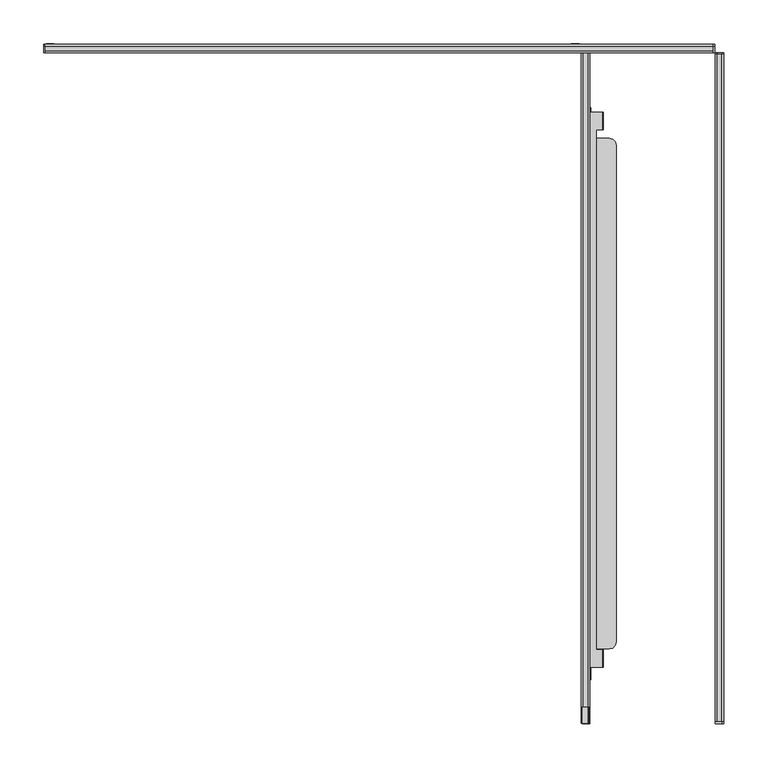
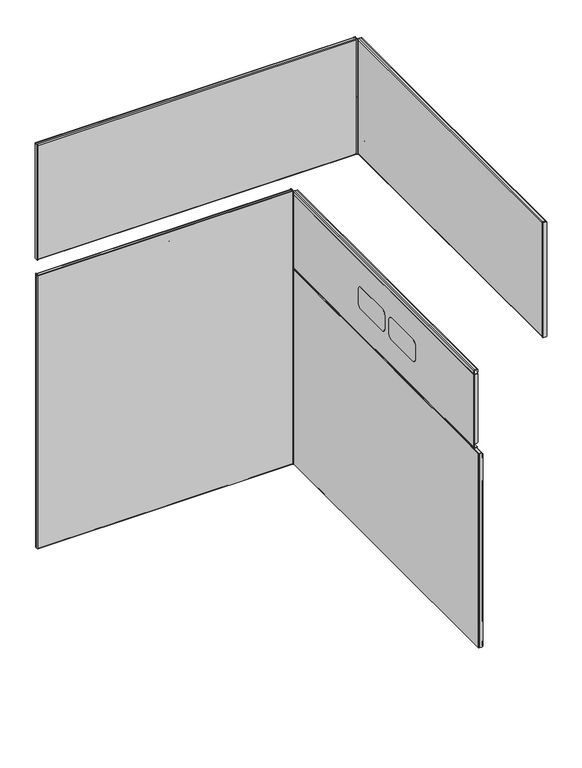
"""IFC4 building model written with IfcOpenShell, lengths in millimetres: furniture geometry."""

import ifcopenshell
import ifcopenshell.guid

model = None  # the IFC model being written
_history = None  # IfcOwnerHistory: only IFC2X3 demands one
_inside = {}  # id of a spatial element -> (the spatial element, [elements in it])
_under = {}  # id of a project, library or spatial element -> (it, [spatial elements below it])
_declared = {}  # id of a project -> (the project, [libraries it declares])
_typed = {}  # id of a type object -> (the type object, [elements of that type])
_made_of = {}  # id of a material, layer set ... -> (it, [elements and type objects made of it])


def new_model(schema):
    """Start an empty IFC model of exactly this schema.

    Asked for "IFC4X3", IfcOpenShell would pick the latest addendum, in which some entities
    have other attributes; the version numbers below select the first issue.
    IFC2X3 requires an IfcOwnerHistory on every rooted entity: one is made here for all.
    """
    global model, _history
    if schema == "IFC4X3":
        model = ifcopenshell.file(schema_version=(4, 3, 0, 0))
    else:
        model = ifcopenshell.file(schema=schema)
    _inside.clear()
    _under.clear()
    _declared.clear()
    _typed.clear()
    _made_of.clear()
    _history = None
    if model.schema == "IFC2X3":
        org = make("IfcOrganization", Name="unknown")
        user = make(
            "IfcPersonAndOrganization",
            ThePerson=make("IfcPerson", FamilyName="unknown"),
            TheOrganization=org,
        )
        app = make(
            "IfcApplication",
            ApplicationDeveloper=org,
            Version="unknown",
            ApplicationFullName="unknown",
            ApplicationIdentifier="unknown",
        )
        _history = make(
            "IfcOwnerHistory",
            OwningUser=user,
            OwningApplication=app,
            ChangeAction="ADDED",
            CreationDate=0,
        )
    return model


def make(cls, **values):
    """One entity of the class cls with the attributes given. An attribute that is None is left unset."""
    return model.create_entity(
        cls, **{name: value for name, value in values.items() if value is not None}
    )


def rooted(cls, **values):
    """An entity with a GlobalId (a new one), such as an element, a storey or a relation."""
    return make(cls, GlobalId=ifcopenshell.guid.new(), OwnerHistory=_history, **values)


def si_unit(unit_type, name, prefix=None):
    """IfcSIUnit, for example si_unit("LENGTHUNIT", "METRE", prefix="MILLI")."""
    return make("IfcSIUnit", UnitType=unit_type, Prefix=prefix, Name=name)


def assignment(units):
    """IfcUnitAssignment: the units of a project."""
    return None if units is None else make("IfcUnitAssignment", Units=units)


def point(xyz):
    """IfcCartesianPoint."""
    return None if xyz is None else make("IfcCartesianPoint", Coordinates=xyz)


def direction(xyz):
    """IfcDirection."""
    return None if xyz is None else make("IfcDirection", DirectionRatios=xyz)


def frame(location, z_axis=None, x_axis=None):
    """IfcAxis2Placement3D, a coordinate frame: its origin and axes. An axis left out is left unset."""
    return make(
        "IfcAxis2Placement3D",
        Location=point(location),
        Axis=direction(z_axis),
        RefDirection=direction(x_axis),
    )


def frame_2d(location, x_axis=None):
    """IfcAxis2Placement2D, a coordinate frame in the plane: its origin and x axis."""
    return make(
        "IfcAxis2Placement2D", Location=point(location), RefDirection=direction(x_axis)
    )


def origin():
    """The frame at (0, 0, 0) with its axes left unset."""
    return frame((0.0, 0.0, 0.0))


def place(relative_to, where):
    """IfcLocalPlacement: puts the frame where relative to a parent placement (None: the world)."""
    return make(
        "IfcLocalPlacement", PlacementRelTo=relative_to, RelativePlacement=where
    )


def context(
    kind, dimensions, precision=None, world=None, true_north=None, identifier=None
):
    """IfcGeometricRepresentationContext, for example the 3D "Model" context."""
    return make(
        "IfcGeometricRepresentationContext",
        ContextIdentifier=identifier,
        ContextType=kind,
        CoordinateSpaceDimension=dimensions,
        Precision=precision,
        WorldCoordinateSystem=world,
        TrueNorth=true_north,
    )


def project(units=None, contexts=None):
    """IfcProject with its units and contexts."""
    return rooted(
        "IfcProject",
        Name="project",
        RepresentationContexts=contexts,
        UnitsInContext=assignment(units),
    )


def spatial(cls, under=None, at=None, **own):
    """A site, building, storey or space (cls), placed at a placement, below another one or the project."""
    s = rooted(cls, ObjectPlacement=at, **own)
    if under is not None:
        _under.setdefault(under.id(), (under, []))[1].append(s)
    return s


def polyline(points):
    """IfcPolyline through the points."""
    return make("IfcPolyline", Points=[point(p) for p in points])


def circle_curve(where, radius):
    """IfcCircle in the frame where."""
    return make("IfcCircle", Position=where, Radius=radius)


def trimmed(basis, trim1, trim2, sense, master):
    """IfcTrimmedCurve: the piece of a basis curve between two trims."""
    return make(
        "IfcTrimmedCurve",
        BasisCurve=basis,
        Trim1=trim1,
        Trim2=trim2,
        SenseAgreement=sense,
        MasterRepresentation=master,
    )


def segment(curve, same_sense, transition):
    """IfcCompositeCurveSegment."""
    return make(
        "IfcCompositeCurveSegment",
        Transition=transition,
        SameSense=same_sense,
        ParentCurve=curve,
    )


def composite_curve(segments, self_intersect=None):
    """IfcCompositeCurve: segments joined end to end."""
    return make("IfcCompositeCurve", Segments=segments, SelfIntersect=self_intersect)


def outline(outer, holes=None, kind="AREA"):
    """IfcArbitraryClosedProfileDef: a profile drawn as a closed curve; with holes, ...WithVoids."""
    if holes is None:
        return make("IfcArbitraryClosedProfileDef", ProfileType=kind, OuterCurve=outer)
    return make(
        "IfcArbitraryProfileDefWithVoids",
        ProfileType=kind,
        OuterCurve=outer,
        InnerCurves=holes,
    )


def extrude(swept, where, along, depth):
    """IfcExtrudedAreaSolid: the profile swept, set in the frame where, extruded along a direction by depth."""
    return make(
        "IfcExtrudedAreaSolid",
        SweptArea=swept,
        Position=where,
        ExtrudedDirection=direction(along),
        Depth=depth,
    )


def shape(context_of_items, identifier, shape_type, items):
    """IfcShapeRepresentation: the items that make up one representation, for example the "Body"."""
    return make(
        "IfcShapeRepresentation",
        ContextOfItems=context_of_items,
        RepresentationIdentifier=identifier,
        RepresentationType=shape_type,
        Items=items,
    )


def source(mapping_origin, context_of_items, identifier, shape_type, items):
    """IfcRepresentationMap: a shape defined once, which mapped items show again and again."""
    return make(
        "IfcRepresentationMap",
        MappingOrigin=mapping_origin,
        MappedRepresentation=shape(context_of_items, identifier, shape_type, items),
    )


def transform(
    local_origin,
    x_axis=None,
    y_axis=None,
    z_axis=None,
    scale=None,
    scale2=None,
    scale3=None,
    uniform=True,
):
    """IfcCartesianTransformationOperator3D, or its non-uniform kind. x_axis, y_axis, z_axis: its Axis1, 2, 3."""
    if uniform:
        return make(
            "IfcCartesianTransformationOperator3D",
            Axis1=direction(x_axis),
            Axis2=direction(y_axis),
            LocalOrigin=point(local_origin),
            Scale=scale,
            Axis3=direction(z_axis),
        )
    return make(
        "IfcCartesianTransformationOperator3DnonUniform",
        Axis1=direction(x_axis),
        Axis2=direction(y_axis),
        LocalOrigin=point(local_origin),
        Scale=scale,
        Axis3=direction(z_axis),
        Scale2=scale2,
        Scale3=scale3,
    )


def mapped(mapping_source, mapping_target):
    """IfcMappedItem: shows the shape of a source again, moved by a transform."""
    return make(
        "IfcMappedItem", MappingSource=mapping_source, MappingTarget=mapping_target
    )


def made_of(thing, what):
    """Note that an element or type object is made of a material, layer set ...; save() writes the relation."""
    if what is not None:
        _made_of.setdefault(what.id(), (what, []))[1].append(thing)
    return thing


def element(
    cls,
    number,
    at=None,
    inside=None,
    cuts=None,
    type_object=None,
    material=None,
    context=None,
    identifier="Body",
    shape_type=None,
    held_by="IfcProductDefinitionShape",
    body=None,
    shapes=None,
    **own,
):
    """One element of the class cls, such as IfcWall. Its Tag is "e" and its number.

    at: its placement. inside: the storey or other place that contains it. cuts: it is an
    opening in that element (IfcRelVoidsElement). A single representation is given by context,
    identifier, shape_type and body (its items); several are given by shapes. held_by: the class
    of the entity that holds the representations. save() writes the other relations.
    """
    e = rooted(cls, Tag="e%d" % number, ObjectPlacement=at, **own)
    if body is not None:
        shapes = [shape(context, identifier, shape_type, body)]
    if shapes is not None:
        e.Representation = make(held_by, Representations=shapes)
    if inside is not None:
        _inside.setdefault(inside.id(), (inside, []))[1].append(e)
    if cuts is not None:
        rooted(
            "IfcRelVoidsElement", RelatingBuildingElement=cuts, RelatedOpeningElement=e
        )
    if type_object is not None:
        _typed.setdefault(type_object.id(), (type_object, []))[1].append(e)
    return made_of(e, material)


def aggregate(whole, parts):
    """IfcRelAggregates: a whole, such as a stair, and the parts it consists of."""
    return rooted("IfcRelAggregates", RelatingObject=whole, RelatedObjects=parts)


def save(model, path):
    """Write the relations noted so far, then the file.

    IfcRelAggregates (storeys below a building ...), IfcRelContainedInSpatialStructure (elements
    in a storey), IfcRelDefinesByType, IfcRelAssociatesMaterial and IfcRelDeclares: one each for
    every whole, place, type object, material and project.
    """
    for whole, parts in _under.values():
        aggregate(whole, parts)
    for where, things in _inside.values():
        rooted(
            "IfcRelContainedInSpatialStructure",
            RelatedElements=things,
            RelatingStructure=where,
        )
    for kind, things in _typed.values():
        rooted("IfcRelDefinesByType", RelatedObjects=things, RelatingType=kind)
    for what, things in _made_of.values():
        rooted("IfcRelAssociatesMaterial", RelatedObjects=things, RelatingMaterial=what)
    for by, libraries in _declared.values():
        rooted("IfcRelDeclares", RelatingContext=by, RelatedDefinitions=libraries)
    model.write(path)


def furniture_71e6c9cb(model_context):
    return source(origin(), model_context, "Body", "SweptSolid", [
        extrude(outline(composite_curve([segment(trimmed(circle_curve(frame_2d((965.3893761, 756.6846529)), 2.4705875), [point((967.8599636, 756.6846529))], [point((965.3893761, 754.2140654))], False, "CARTESIAN"), True, "CONTINUOUS"), segment(polyline([(965.3893761, 754.2140654), (831.0274727, 754.2140654), (831.0274727, 759.8030411), (780.4815027, 759.8030411), (780.4815027, 754.2140654), (776.979404, 754.2140654)]), True, "CONTINUOUS"), segment(trimmed(circle_curve(frame_2d((776.979404, 755.8334564)), 1.619391), [point((776.979404, 754.2140654))], [point((775.360013, 755.8334564))], False, "CARTESIAN"), True, "CONTINUOUS"), segment(polyline([(775.360013, 755.8334564), (775.360013, 762.7285494), (967.8599636, 762.7285494), (967.8599636, 756.6846529)]), True, "CONTINUOUS")], self_intersect=False)), frame((0.0, -1.7694182, 0.0), z_axis=(0.0, 1.0, 0.0), x_axis=(0.0, 0.0, 1.0)), (0.0, 0.0, 1.0), 1.1864101),
        extrude(outline(composite_curve([segment(polyline([(967.8599636, 10.5892163), (967.8599636, 2.5325235), (775.360013, 2.5325235), (775.360013, 11.4404128)]), True, "CONTINUOUS"), segment(trimmed(circle_curve(frame_2d((776.979404, 11.4404128)), 1.619391), [point((775.360013, 11.4404128))], [point((776.979404, 13.0598038))], False, "CARTESIAN"), True, "CONTINUOUS"), segment(polyline([(776.979404, 13.0598038), (780.4815027, 13.0598038), (780.4815027, 7.4708281), (831.0274727, 7.4708281), (831.0274727, 13.0598038), (965.3893761, 13.0598038)]), True, "CONTINUOUS"), segment(trimmed(circle_curve(frame_2d((965.3893761, 10.5892163)), 2.4705875), [point((965.3893761, 13.0598038))], [point((967.8599636, 10.5892163))], False, "CARTESIAN"), True, "CONTINUOUS")], self_intersect=False)), frame((0.0, -1.7694182, 0.0), z_axis=(0.0, 1.0, 0.0), x_axis=(0.0, 0.0, 1.0)), (0.0, 0.0, 1.0), 1.1864101),
        extrude(outline(composite_curve([segment(polyline([(-10.0267631, 1030.8757829), (-2.3587031, 1030.8757829)]), True, "CONTINUOUS"), segment(trimmed(circle_curve(frame_2d((-2.3587031, 1029.0188428)), 1.8569401), [point((-2.3587031, 1030.8757829))], [point((-0.5017631, 1029.0188428))], False, "CARTESIAN"), True, "CONTINUOUS"), segment(polyline([(-0.5017631, 1029.0188428), (-0.5017631, 742.1409679)]), True, "CONTINUOUS"), segment(trimmed(circle_curve(frame_2d((-2.0049735, 742.1409679)), 1.5032105), [point((-0.5017631, 742.1409679))], [point((-2.0049735, 740.6377574))], False, "CARTESIAN"), True, "CONTINUOUS"), segment(polyline([(-2.0049735, 740.6377574), (-10.0267631, 740.6377574), (-10.0267631, 885.4110974), (-10.0267631, 1030.8757829)]), True, "CONTINUOUS")], self_intersect=False)), frame((1.5733776, 0.0, 0.0), z_axis=(1.0, 0.0, 0.0), x_axis=(0.0, 1.0, 0.0)), (0.0, 0.0, 1.0), 0.9591459),
        extrude(outline(composite_curve([segment(polyline([(-10.0267631, 1030.9790033), (-2.3587031, 1030.9790033)]), True, "CONTINUOUS"), segment(trimmed(circle_curve(frame_2d((-2.3587031, 1029.1220632)), 1.8569401), [point((-2.3587031, 1030.9790033))], [point((-0.5017631, 1029.1220632))], False, "CARTESIAN"), True, "CONTINUOUS"), segment(polyline([(-0.5017631, 1029.1220632), (-0.5017631, 742.2441883)]), True, "CONTINUOUS"), segment(trimmed(circle_curve(frame_2d((-2.0049735, 742.2441883)), 1.5032105), [point((-0.5017631, 742.2441883))], [point((-2.0049735, 740.7409779))], False, "CARTESIAN"), True, "CONTINUOUS"), segment(polyline([(-2.0049735, 740.7409779), (-10.0267631, 740.7409779), (-10.0267631, 885.5143179), (-10.0267631, 1030.9790033)]), True, "CONTINUOUS")], self_intersect=False)), frame((763.081184, 0.0, 0.0), z_axis=(1.0, 0.0, 0.0), x_axis=(0.0, 1.0, 0.0)), (0.0, 0.0, 1.0), 2.1819162),
        extrude(outline(composite_curve([segment(polyline([(-0.5017631, 1029.1391548), (-0.5017631, 1023.3599916), (-1.413626, 1023.3599916), (-1.413626, 1028.9406273)]), True, "CONTINUOUS"), segment(trimmed(circle_curve(frame_2d((-2.9211478, 1028.9406273)), 1.5075218), [point((-1.413626, 1028.9406273))], [point((-2.9211478, 1030.4481491))], True, "CARTESIAN"), True, "CONTINUOUS"), segment(polyline([(-2.9211478, 1030.4481491), (-7.746705, 1030.4481491)]), True, "CONTINUOUS"), segment(trimmed(circle_curve(frame_2d((-7.746705, 1029.079954)), 1.3681951), [point((-7.746705, 1030.4481491))], [point((-9.1149001, 1029.079954))], True, "CARTESIAN"), True, "CONTINUOUS"), segment(polyline([(-9.1149001, 1029.079954), (-9.1149001, 742.4865423)]), True, "CONTINUOUS"), segment(trimmed(circle_curve(frame_2d((-7.9001899, 742.4865423)), 1.2147102), [point((-9.1149001, 742.4865423))], [point((-7.9001899, 741.2718321))], True, "CARTESIAN"), True, "CONTINUOUS"), segment(polyline([(-7.9001899, 741.2718321), (-2.8061731, 741.2718321)]), True, "CONTINUOUS"), segment(trimmed(circle_curve(frame_2d((-2.8061731, 742.6643792)), 1.3925471), [point((-2.8061731, 741.2718321))], [point((-1.413626, 742.6643792))], True, "CARTESIAN"), True, "CONTINUOUS"), segment(polyline([(-1.413626, 742.6643792), (-1.413626, 752.3599634), (-0.5017631, 752.3599634), (-0.5017631, 742.4494371)]), True, "CONTINUOUS"), segment(trimmed(circle_curve(frame_2d((-2.591231, 742.4494371)), 2.089468), [point((-0.5017631, 742.4494371))], [point((-2.591231, 740.3599691))], False, "CARTESIAN"), True, "CONTINUOUS"), segment(polyline([(-2.591231, 740.3599691), (-7.7915889, 740.3599691)]), True, "CONTINUOUS"), segment(trimmed(circle_curve(frame_2d((-7.7915889, 742.5951433)), 2.2351742), [point((-7.7915889, 740.3599691))], [point((-10.0267631, 742.5951433))], False, "CARTESIAN"), True, "CONTINUOUS"), segment(polyline([(-10.0267631, 742.5951433), (-10.0267631, 1029.1155544)]), True, "CONTINUOUS"), segment(trimmed(circle_curve(frame_2d((-7.7823054, 1029.1155544)), 2.2444577), [point((-10.0267631, 1029.1155544))], [point((-7.7823054, 1031.3600121))], False, "CARTESIAN"), True, "CONTINUOUS"), segment(polyline([(-7.7823054, 1031.3600121), (-2.7226203, 1031.3600121)]), True, "CONTINUOUS"), segment(trimmed(circle_curve(frame_2d((-2.7226203, 1029.1391548)), 2.2208573), [point((-2.7226203, 1031.3600121))], [point((-0.5017631, 1029.1391548))], False, "CARTESIAN"), True, "CONTINUOUS")], self_intersect=False)), frame((1.9630808, 0.0, 0.0), z_axis=(1.0, 0.0, 0.0), x_axis=(0.0, 1.0, 0.0)), (0.0, 0.0, 1.0), 760.7654686),
        extrude(outline(composite_curve([segment(trimmed(circle_curve(frame_2d((-765.3337616, 965.3893761)), 2.4705875), [point((-765.3337616, 967.8599636))], [point((-762.8631741, 965.3893761))], False, "CARTESIAN"), True, "CONTINUOUS"), segment(polyline([(-762.8631741, 965.3893761), (-762.8631741, 831.0274727), (-768.4521498, 831.0274727), (-768.4521498, 780.4815027), (-762.8631741, 780.4815027), (-762.8631741, 776.979404)]), True, "CONTINUOUS"), segment(trimmed(circle_curve(frame_2d((-764.4825651, 776.979404)), 1.619391), [point((-762.8631741, 776.979404))], [point((-764.4825651, 775.360013))], False, "CARTESIAN"), True, "CONTINUOUS"), segment(polyline([(-764.4825651, 775.360013), (-771.3776581, 775.360013), (-771.3776581, 967.8599636), (-765.3337616, 967.8599636)]), True, "CONTINUOUS")], self_intersect=False)), frame((774.0727369, 0.0, 0.0), z_axis=(1.0, 0.0, 0.0), x_axis=(0.0, 1.0, 0.0)), (0.0, 0.0, 1.0), 1.1864101),
        extrude(outline(composite_curve([segment(polyline([(-19.238325, 967.8599636), (-11.1816322, 967.8599636), (-11.1816322, 775.360013), (-20.0895215, 775.360013)]), True, "CONTINUOUS"), segment(trimmed(circle_curve(frame_2d((-20.0895215, 776.979404)), 1.619391), [point((-20.0895215, 775.360013))], [point((-21.7089125, 776.979404))], False, "CARTESIAN"), True, "CONTINUOUS"), segment(polyline([(-21.7089125, 776.979404), (-21.7089125, 780.4815027), (-16.1199368, 780.4815027), (-16.1199368, 831.0274727), (-21.7089125, 831.0274727), (-21.7089125, 965.3893761)]), True, "CONTINUOUS"), segment(trimmed(circle_curve(frame_2d((-19.238325, 965.3893761)), 2.4705875), [point((-21.7089125, 965.3893761))], [point((-19.238325, 967.8599636))], False, "CARTESIAN"), True, "CONTINUOUS")], self_intersect=False)), frame((774.0727369, 0.0, 0.0), z_axis=(1.0, 0.0, 0.0), x_axis=(0.0, 1.0, 0.0)), (0.0, 0.0, 1.0), 1.1864101),
        extrude(outline(composite_curve([segment(polyline([(1030.8757829, 765.8153921), (885.4110974, 765.8153921), (740.6377574, 765.8153921), (740.6377574, 773.8371816)]), True, "CONTINUOUS"), segment(trimmed(circle_curve(frame_2d((742.1409679, 773.8371816)), 1.5032105), [point((740.6377574, 773.8371816))], [point((742.1409679, 775.3403921))], False, "CARTESIAN"), True, "CONTINUOUS"), segment(polyline([(742.1409679, 775.3403921), (1029.0188428, 775.3403921)]), True, "CONTINUOUS"), segment(trimmed(circle_curve(frame_2d((1029.0188428, 773.483452)), 1.8569401), [point((1029.0188428, 775.3403921))], [point((1030.8757829, 773.483452))], False, "CARTESIAN"), True, "CONTINUOUS"), segment(polyline([(1030.8757829, 773.483452), (1030.8757829, 765.8153921)]), True, "CONTINUOUS")], self_intersect=False)), frame((0.0, -11.1816322, 0.0), z_axis=(0.0, 1.0, 0.0), x_axis=(0.0, 0.0, 1.0)), (0.0, 0.0, 1.0), 0.9591459),
        extrude(outline(composite_curve([segment(polyline([(1030.9790033, 765.8153921), (885.5143179, 765.8153921), (740.7409779, 765.8153921), (740.7409779, 773.8371816)]), True, "CONTINUOUS"), segment(trimmed(circle_curve(frame_2d((742.2441883, 773.8371816)), 1.5032105), [point((740.7409779, 773.8371816))], [point((742.2441883, 775.3403921))], False, "CARTESIAN"), True, "CONTINUOUS"), segment(polyline([(742.2441883, 775.3403921), (1029.1220632, 775.3403921)]), True, "CONTINUOUS"), segment(trimmed(circle_curve(frame_2d((1029.1220632, 773.483452)), 1.8569401), [point((1029.1220632, 775.3403921))], [point((1030.9790033, 773.483452))], False, "CARTESIAN"), True, "CONTINUOUS"), segment(polyline([(1030.9790033, 773.483452), (1030.9790033, 765.8153921)]), True, "CONTINUOUS")], self_intersect=False)), frame((0.0, -773.9122089, 0.0), z_axis=(0.0, 1.0, 0.0), x_axis=(0.0, 0.0, 1.0)), (0.0, 0.0, 1.0), 2.1819162),
        extrude(outline(composite_curve([segment(trimmed(circle_curve(frame_2d((1029.1391548, 773.1195348)), 2.2208573), [point((1029.1391548, 775.3403921))], [point((1031.3600121, 773.1195348))], False, "CARTESIAN"), True, "CONTINUOUS"), segment(polyline([(1031.3600121, 773.1195348), (1031.3600121, 768.0598498)]), True, "CONTINUOUS"), segment(trimmed(circle_curve(frame_2d((1029.1155544, 768.0598498)), 2.2444577), [point((1031.3600121, 768.0598498))], [point((1029.1155544, 765.8153921))], False, "CARTESIAN"), True, "CONTINUOUS"), segment(polyline([(1029.1155544, 765.8153921), (742.5951433, 765.8153921)]), True, "CONTINUOUS"), segment(trimmed(circle_curve(frame_2d((742.5951433, 768.0505663)), 2.2351742), [point((742.5951433, 765.8153921))], [point((740.3599691, 768.0505663))], False, "CARTESIAN"), True, "CONTINUOUS"), segment(polyline([(740.3599691, 768.0505663), (740.3599691, 773.2509241)]), True, "CONTINUOUS"), segment(trimmed(circle_curve(frame_2d((742.4494371, 773.2509241)), 2.089468), [point((740.3599691, 773.2509241))], [point((742.4494371, 775.3403921))], False, "CARTESIAN"), True, "CONTINUOUS"), segment(polyline([(742.4494371, 775.3403921), (752.3599634, 775.3403921), (752.3599634, 774.4285292), (742.6643792, 774.4285292)]), True, "CONTINUOUS"), segment(trimmed(circle_curve(frame_2d((742.6643792, 773.0359821)), 1.3925471), [point((742.6643792, 774.4285292))], [point((741.2718321, 773.0359821))], True, "CARTESIAN"), True, "CONTINUOUS"), segment(polyline([(741.2718321, 773.0359821), (741.2718321, 767.9419653)]), True, "CONTINUOUS"), segment(trimmed(circle_curve(frame_2d((742.4865423, 767.9419653)), 1.2147102), [point((741.2718321, 767.9419653))], [point((742.4865423, 766.7272551))], True, "CARTESIAN"), True, "CONTINUOUS"), segment(polyline([(742.4865423, 766.7272551), (1029.079954, 766.7272551)]), True, "CONTINUOUS"), segment(trimmed(circle_curve(frame_2d((1029.079954, 768.0954501)), 1.3681951), [point((1029.079954, 766.7272551))], [point((1030.4481491, 768.0954501))], True, "CARTESIAN"), True, "CONTINUOUS"), segment(polyline([(1030.4481491, 768.0954501), (1030.4481491, 772.9210073)]), True, "CONTINUOUS"), segment(trimmed(circle_curve(frame_2d((1028.9406273, 772.9210073)), 1.5075218), [point((1030.4481491, 772.9210073))], [point((1028.9406273, 774.4285292))], True, "CARTESIAN"), True, "CONTINUOUS"), segment(polyline([(1028.9406273, 774.4285292), (1023.3599916, 774.4285292), (1023.3599916, 775.3403921), (1029.1391548, 775.3403921)]), True, "CONTINUOUS")], self_intersect=False)), frame((0.0, -771.3776581, 0.0), z_axis=(0.0, 1.0, 0.0), x_axis=(0.0, 0.0, 1.0)), (0.0, 0.0, 1.0), 760.7654686),
        extrude(outline(polyline([(288.6786003, -3.2725999), (288.6786003, -1.7739999), (294.5459929, -1.7739999), (296.0572924, -2.1789515), (297.1636384, -3.2852998), (297.5685918, -4.7965998), (297.5685918, -6.1213997), (297.7727763, -6.8834001), (298.3305911, -7.4412229), (299.0925904, -7.6454), (315.9073889, -7.6454), (316.6694063, -7.4412229), (317.2272211, -6.8834001), (317.4313874, -6.1213997), (317.4313874, -4.7965998), (317.8363409, -3.2852998), (318.9427051, -2.1789515), (320.4539864, -1.7739999), (326.3213971, -1.7739999), (326.3213971, -3.2725999), (320.4539864, -3.2725999), (319.6920053, -3.4767772), (319.1341905, -4.0346), (318.9299878, -4.7965998), (318.9299878, -6.1213997), (318.5250343, -7.6326998), (317.4187065, -8.739048), (315.9075675, -9.1439519), (299.0924117, -9.1439519), (297.5812909, -8.739048), (296.4749449, -7.6326998), (296.0699914, -6.1213997), (296.0699914, -4.7965998), (295.8658251, -4.0346), (295.3079922, -3.4767772), (294.5459929, -3.2725999), (288.6786003, -3.2725999)])), frame((0.0, 0.0, 13.6674598), z_axis=(0.0, 0.0, 1.0), x_axis=(1.0, 0.0, 0.0)), (0.0, 0.0, 1.0), 664.8465023),
        extrude(outline(polyline([(610.6139643, -9.1439519), (610.6139643, -10.0558593), (4.1818558, -10.0558593), (4.1818558, -9.1439519), (610.6139643, -9.1439519)])), frame((0.0, 0.0, 12.9809891), z_axis=(0.0, 0.0, 1.0), x_axis=(1.0, 0.0, 0.0)), (0.0, 0.0, 1.0), 688.02099),
        extrude(outline(polyline([(632.5021631, 601.9510119), (207.099986, 601.9510119), (207.099986, 607.5399877), (156.5539797, 607.5399877), (156.5539797, 601.9510119), (81.8619909, 601.9510119), (79.361989, 602.6208838), (77.5318591, 604.4510047), (76.8619872, 606.9509974), (76.8619872, 610.7833667), (637.5021486, 610.7833667), (637.5021486, 606.9509974), (636.8322767, 604.4510047), (635.0021559, 602.6208838), (632.5021631, 601.9510119)])), frame((0.0, -1.4468602, 0.0), z_axis=(0.0, 1.0, 0.0), x_axis=(0.0, 0.0, 1.0)), (0.0, 0.0, 1.0), 1.4468602),
        extrude(outline(polyline([(625.9537256, 12.7953425), (628.4537184, 12.1254706), (630.2838392, 10.2953497), (630.9537111, 7.795357), (630.9537111, 4.1446868), (76.8619872, 4.1446868), (76.8619872, 7.795357), (77.5318591, 10.2953497), (79.361989, 12.1254706), (81.8619909, 12.7953425), (156.5539797, 12.7953425), (156.5539797, 7.2063667), (207.099986, 7.2063667), (207.099986, 12.7953425), (625.9537256, 12.7953425)])), frame((0.0, -1.4468602, 0.0), z_axis=(0.0, 1.0, 0.0), x_axis=(0.0, 0.0, 1.0)), (0.0, 0.0, 1.0), 1.4468602),
        extrude(outline(composite_curve([segment(polyline([(2.8747062, -2.712028), (2.8747062, -7.8739713)]), True, "CONTINUOUS"), segment(trimmed(circle_curve(frame_2d((4.1446868, -7.8739713)), 1.2699806), [point((2.8747062, -7.8739713))], [point((4.1446868, -9.1439519))], True, "CARTESIAN"), True, "CONTINUOUS"), segment(polyline([(4.1446868, -9.1439519), (4.1446868, -10.0558593)]), True, "CONTINUOUS"), segment(trimmed(circle_curve(frame_2d((4.1446868, -7.8740158)), 2.1818436), [point((4.1446868, -10.0558593))], [point((1.9628432, -7.8740158))], False, "CARTESIAN"), True, "CONTINUOUS"), segment(polyline([(1.9628432, -7.8740158), (1.9628432, -2.8090311)]), True, "CONTINUOUS"), segment(trimmed(circle_curve(frame_2d((4.2410142, -2.8090311)), 2.278171), [point((1.9628432, -2.8090311))], [point((4.1440141, -0.532926))], False, "CARTESIAN"), True, "CONTINUOUS"), segment(polyline([(4.1440141, -0.532926), (4.1440141, -1.44272)]), True, "CONTINUOUS"), segment(trimmed(circle_curve(frame_2d((4.1440141, -2.712028)), 1.269308), [point((4.1440141, -1.44272))], [point((2.8747062, -2.712028))], True, "CARTESIAN"), True, "CONTINUOUS")], self_intersect=False)), frame((0.0, 0.0, 13.511849), z_axis=(0.0, 0.0, 1.0), x_axis=(1.0, 0.0, 0.0)), (0.0, 0.0, 1.0), 687.4450855),
        extrude(outline(composite_curve([segment(trimmed(circle_curve(frame_2d((610.8803668, -2.712028)), 1.269308), [point((612.1496748, -2.712028))], [point((610.7833667, -1.4464318))], True, "CARTESIAN"), True, "CONTINUOUS"), segment(polyline([(610.7833667, -1.4464318), (610.7833667, -0.53086)]), True, "CONTINUOUS"), segment(trimmed(circle_curve(frame_2d((610.7833667, -2.8090311)), 2.278171), [point((610.7833667, -0.53086))], [point((613.0615377, -2.8090311))], False, "CARTESIAN"), True, "CONTINUOUS"), segment(polyline([(613.0615377, -2.8090311), (613.0615377, -7.8740158)]), True, "CONTINUOUS"), segment(trimmed(circle_curve(frame_2d((610.8796942, -7.8740158)), 2.1818436), [point((613.0615377, -7.8740158))], [point((610.8796942, -10.0558593))], False, "CARTESIAN"), True, "CONTINUOUS"), segment(polyline([(610.8796942, -10.0558593), (610.8796942, -9.1439519)]), True, "CONTINUOUS"), segment(trimmed(circle_curve(frame_2d((610.8796942, -7.8739713)), 1.2699806), [point((610.8796942, -9.1439519))], [point((612.1496748, -7.8739713))], True, "CARTESIAN"), True, "CONTINUOUS"), segment(polyline([(612.1496748, -7.8739713), (612.1496748, -2.712028)]), True, "CONTINUOUS")], self_intersect=False)), frame((0.0, 0.0, 12.9809891), z_axis=(0.0, 0.0, 1.0), x_axis=(1.0, 0.0, 0.0)), (0.0, 0.0, 1.0), 688.02099),
        extrude(outline(composite_curve([segment(polyline([(-3.0350024, 12.5999894), (-7.8739999, 12.5999894)]), True, "CONTINUOUS"), segment(trimmed(circle_curve(frame_2d((-7.8739999, 14.7818489)), 2.1818595), [point((-7.8739999, 12.5999894))], [point((-10.0558593, 14.7818489))], False, "CARTESIAN"), True, "CONTINUOUS"), segment(polyline([(-10.0558593, 14.7818489), (-9.1439519, 14.7818489)]), True, "CONTINUOUS"), segment(trimmed(circle_curve(frame_2d((-7.8629255, 14.7929233)), 1.2810743), [point((-9.1439519, 14.7818489))], [point((-7.8629255, 13.511849))], True, "CARTESIAN"), True, "CONTINUOUS"), segment(polyline([(-7.8629255, 13.511849), (-3.084788, 13.511849)]), True, "CONTINUOUS"), segment(trimmed(circle_curve(frame_2d((-3.084788, 14.8727802)), 1.3609312), [point((-3.084788, 13.511849))], [point((-1.7238568, 14.8727802))], True, "CARTESIAN"), True, "CONTINUOUS"), segment(polyline([(-1.7238568, 14.8727802), (-1.7238568, 25.508949), (-0.8082048, 25.508949), (-0.8082048, 14.8267871)]), True, "CONTINUOUS"), segment(trimmed(circle_curve(frame_2d((-3.0350024, 14.8267871)), 2.2267976), [point((-0.8082048, 14.8267871))], [point((-3.0350024, 12.5999894))], False, "CARTESIAN"), True, "CONTINUOUS")], self_intersect=False)), frame((4.1818558, 0.0, 0.0), z_axis=(1.0, 0.0, 0.0), x_axis=(0.0, 1.0, 0.0)), (0.0, 0.0, 1.0), 606.6363112),
        extrude(outline(composite_curve([segment(trimmed(circle_curve(frame_2d((-2.9955265, 698.7301369)), 2.2267976), [point((-2.9955265, 700.9569345))], [point((-0.7687288, 698.7301369))], False, "CARTESIAN"), True, "CONTINUOUS"), segment(polyline([(-0.7687288, 698.7301369), (-0.7687288, 686.0923513), (-1.8197381, 686.0923513), (-1.8197381, 698.6841437)]), True, "CONTINUOUS"), segment(trimmed(circle_curve(frame_2d((-3.1806693, 698.6841437)), 1.3609312), [point((-1.8197381, 698.6841437))], [point((-3.1806693, 700.045075))], True, "CARTESIAN"), True, "CONTINUOUS"), segment(polyline([(-3.1806693, 700.045075), (-7.8629255, 700.045075)]), True, "CONTINUOUS"), segment(trimmed(circle_curve(frame_2d((-7.8629255, 698.7640007)), 1.2810743), [point((-7.8629255, 700.045075))], [point((-9.1439519, 698.775075))], True, "CARTESIAN"), True, "CONTINUOUS"), segment(polyline([(-9.1439519, 698.775075), (-10.0558593, 698.775075)]), True, "CONTINUOUS"), segment(trimmed(circle_curve(frame_2d((-7.8739999, 698.775075)), 2.1818595), [point((-10.0558593, 698.775075))], [point((-7.8739999, 700.9569345))], False, "CARTESIAN"), True, "CONTINUOUS"), segment(polyline([(-7.8739999, 700.9569345), (-2.9955265, 700.9569345)]), True, "CONTINUOUS")], self_intersect=False)), frame((4.1818558, 0.0, 0.0), z_axis=(1.0, 0.0, 0.0), x_axis=(0.0, 1.0, 0.0)), (0.0, 0.0, 1.0), 606.6363112),
        extrude(outline(polyline([(620.2027685, -449.5538824), (621.7013689, -449.5538824), (621.7013689, -455.4212932), (621.2964518, -456.9326108), (620.1901239, -458.0389386), (618.6788063, -458.4438921), (617.3539598, -458.4438921), (616.5920151, -458.6480584), (616.0342003, -459.2059095), (615.8299976, -459.9678906), (615.8299976, -476.7827073), (616.0342003, -477.5446884), (616.5920151, -478.1025032), (617.3539598, -478.3067059), (618.6788063, -478.3067059), (620.1901239, -478.7116593), (621.2964518, -479.8179872), (621.7013689, -481.3293048), (621.7013689, -487.1967155), (620.2027685, -487.1967155), (620.2027685, -481.3293048), (619.9986385, -480.5672873), (619.4408237, -480.0094726), (618.6788063, -479.8053062), (617.3539598, -479.8053062), (615.8427149, -479.4003528), (614.7363144, -478.2939886), (614.3313972, -476.7827073), (614.3313972, -459.9678906), (614.7363144, -458.4566093), (615.8427149, -457.3502452), (617.3539598, -456.9452917), (618.6788063, -456.9452917), (619.4408237, -456.7411254), (619.9986385, -456.1833106), (620.2027685, -455.4212932), (620.2027685, -449.5538824)])), frame((0.0, 0.0, 13.511849), z_axis=(0.0, 0.0, 1.0), x_axis=(1.0, 0.0, 0.0)), (0.0, 0.0, 1.0), 465.0000042),
        extrude(outline(polyline([(-723.5452978, 489.7441255), (-723.5452978, 495.1796585), (-723.0094294, 497.1796454), (-721.5452745, 498.6437639), (-719.5453239, 499.1796687), (-76.4330981, 499.1796687), (-74.4330975, 498.6437639), (-72.9689972, 497.1796454), (-72.4330969, 495.1796585), (-72.4330969, 489.7441255), (-72.8246473, 487.2720016), (-73.9609606, 485.0418325), (-75.7308153, 483.2719914), (-77.9609663, 482.1356873), (-80.4330992, 481.7441414), (-715.5452774, 481.7441414), (-718.0174376, 482.1356873), (-720.2476067, 483.2719914), (-722.0174114, 485.0418325), (-723.1537519, 487.2720016), (-723.5452978, 489.7441255)])), frame((622.8632893, 0.0, 0.0), z_axis=(1.0, 0.0, 0.0), x_axis=(0.0, 1.0, 0.0)), (0.0, 0.0, 1.0), 1.0722967),
        extrude(outline(polyline([(644.9444996, -107.4330954), (648.9445461, -108.5048959), (651.8727104, -111.4330965), (652.94452, -115.4330976), (652.94452, -680.5453062), (651.8727104, -684.5452801), (648.9445461, -687.473517), (644.9444996, -688.5453266), (622.8632893, -688.5453266), (622.8632893, -107.4330954), (644.9444996, -107.4330954)])), frame((0.0, 0.0, 499.1799957), z_axis=(0.0, 0.0, 1.0), x_axis=(1.0, 0.0, 0.0)), (0.0, 0.0, 1.0), 0.9100099),
        extrude(outline(composite_curve([segment(polyline([(-709.5252824, 504.7619951), (-689.525295, 504.7619951), (-691.6757385, 487.558447)]), True, "CONTINUOUS"), segment(trimmed(circle_curve(frame_2d((-694.8435261, 487.9544204)), 3.19244), [point((-691.6757385, 487.558447))], [point((-694.8435261, 484.7619804))], False, "CARTESIAN"), True, "CONTINUOUS"), segment(polyline([(-694.8435261, 484.7619804), (-704.2053477, 484.7619804)]), True, "CONTINUOUS"), segment(trimmed(circle_curve(frame_2d((-704.2053477, 487.9563503)), 3.1943698), [point((-704.2053477, 484.7619804))], [point((-707.3750502, 487.5601375))], False, "CARTESIAN"), True, "CONTINUOUS"), segment(polyline([(-707.3750502, 487.5601375), (-709.5252824, 504.7619951)]), True, "CONTINUOUS")], self_intersect=False)), frame((637.6045406, 0.0, 0.0), z_axis=(1.0, 0.0, 0.0), x_axis=(0.0, 1.0, 0.0)), (0.0, 0.0, 1.0), 0.7599827),
        extrude(outline(composite_curve([segment(polyline([(-97.4280487, 504.7619951), (-77.429501, 504.7619951), (-79.5792247, 487.5642062)]), True, "CONTINUOUS"), segment(trimmed(circle_curve(frame_2d((-82.7470122, 487.9601796)), 3.19244), [point((-79.5792247, 487.5642062))], [point((-82.7470122, 484.7677396))], False, "CARTESIAN"), True, "CONTINUOUS"), segment(polyline([(-82.7470122, 484.7677396), (-92.1088338, 484.7677396)]), True, "CONTINUOUS"), segment(trimmed(circle_curve(frame_2d((-92.1088338, 487.9621094)), 3.1943698), [point((-92.1088338, 484.7677396))], [point((-95.2785364, 487.5658966))], False, "CARTESIAN"), True, "CONTINUOUS"), segment(polyline([(-95.2785364, 487.5658966), (-97.4280487, 504.7619951)]), True, "CONTINUOUS")], self_intersect=False)), frame((637.6045406, 0.0, 0.0), z_axis=(1.0, 0.0, 0.0), x_axis=(0.0, 1.0, 0.0)), (0.0, 0.0, 1.0), 0.7599827),
        extrude(outline(polyline([(621.3587835, -77.4631133), (637.6045406, -77.4631133), (637.6045406, -97.4631098), (630.3645029, -97.4631098), (630.3645029, -689.5252813), (637.6045406, -689.5252813), (637.6045406, -709.525296), (621.3587835, -709.525296), (621.3587835, -77.4631133)])), frame((0.0, 0.0, 504.0020124), z_axis=(0.0, 0.0, 1.0), x_axis=(1.0, 0.0, 0.0)), (0.0, 0.0, 1.0), 0.7599827),
        extrude(outline(composite_curve([segment(polyline([(499.1033806, 622.9445343), (499.865381, 622.7403316), (500.7028737, 621.9028509), (501.008381, 620.7626907), (501.008381, 614.3313972), (500.0965204, 614.3313972), (500.0965204, 620.7308014)]), True, "CONTINUOUS"), segment(trimmed(circle_curve(frame_2d((498.7946504, 620.7308014)), 1.30187), [point((500.0965204, 620.7308014))], [point((498.7946504, 622.0326714))], True, "CARTESIAN"), True, "CONTINUOUS"), segment(polyline([(498.7946504, 622.0326714), (488.0994204, 622.0326714), (488.0994204, 622.9445343), (499.1033806, 622.9445343)]), True, "CONTINUOUS")], self_intersect=False)), frame((0.0, -772.7843708, 0.0), z_axis=(0.0, 1.0, 0.0), x_axis=(0.0, 0.0, 1.0)), (0.0, 0.0, 1.0), 761.2181751),
        extrude(outline(composite_curve([segment(polyline([(14.5049888, 622.9445343), (25.508949, 622.9445343), (25.508949, 622.0326714), (14.813719, 622.0326714)]), True, "CONTINUOUS"), segment(trimmed(circle_curve(frame_2d((14.813719, 620.7308014)), 1.30187), [point((14.813719, 622.0326714))], [point((13.511849, 620.7308014))], True, "CARTESIAN"), True, "CONTINUOUS"), segment(polyline([(13.511849, 620.7308014), (13.511849, 614.3313972), (12.5999883, 614.3313972), (12.5999883, 620.7626907), (12.9054957, 621.9028509), (13.7429884, 622.7403316), (14.5049888, 622.9445343)]), True, "CONTINUOUS")], self_intersect=False)), frame((0.0, -772.7843708, 0.0), z_axis=(0.0, 1.0, 0.0), x_axis=(0.0, 0.0, 1.0)), (0.0, 0.0, 1.0), 761.2181751),
        extrude(outline(polyline([(-11.5661957, 431.0001457), (-11.5661957, 76.8619872), (-16.5242507, 76.8619872), (-19.0242434, 77.5318591), (-20.8543643, 79.361989), (-21.5242362, 81.8619909), (-21.5242362, 156.5539797), (-15.9352604, 156.5539797), (-15.9352604, 207.099986), (-21.5242362, 207.099986), (-21.5242362, 426.0001239), (-20.8543643, 428.5001166), (-19.0242434, 430.3302375), (-16.5242507, 431.0001457), (-11.5661957, 431.0001457)])), frame((622.0326714, 0.0, 0.0), z_axis=(1.0, 0.0, 0.0), x_axis=(0.0, 1.0, 0.0)), (0.0, 0.0, 1.0), 0.9118629),
        extrude(outline(polyline([(501.0102619, 614.2316214), (12.6374796, 614.2316214), (12.6374796, 620.902609), (12.8923022, 621.8536125), (13.6909192, 622.6522556), (14.4786019, 622.8632893), (498.313496, 622.8632893), (499.5102808, 622.5425966), (500.6083242, 621.4445532), (501.0102619, 619.9444994), (501.0102619, 614.2316214)])), frame((0.0, -11.5661957, 0.0), z_axis=(0.0, 1.0, 0.0), x_axis=(0.0, 0.0, 1.0)), (0.0, 0.0, 1.0), 1.0909218),
        extrude(outline(polyline([(-772.7843708, 431.0001457), (-767.8263159, 431.0001457), (-765.3263231, 430.3302375), (-763.4962023, 428.5001166), (-762.8263304, 426.0001239), (-762.8263304, 207.099986), (-768.4153061, 207.099986), (-768.4153061, 156.5539797), (-762.8263304, 156.5539797), (-762.8263304, 81.8619909), (-763.4962023, 79.361989), (-765.3263231, 77.5318591), (-767.8263159, 76.8619872), (-772.7843708, 76.8619872), (-772.7843708, 431.0001457)])), frame((622.0326714, 0.0, 0.0), z_axis=(1.0, 0.0, 0.0), x_axis=(0.0, 1.0, 0.0)), (0.0, 0.0, 1.0), 0.9118629),
        extrude(outline(polyline([(614.2316214, -772.7843708), (613.3645231, -772.7843708), (613.3645231, -10.4753099), (614.2316214, -10.4753099), (614.2316214, -772.7843708)])), frame((0.0, 0.0, 12.9847452), z_axis=(0.0, 0.0, 1.0), x_axis=(1.0, 0.0, 0.0)), (0.0, 0.0, 1.0), 488.0255167),
        extrude(outline(polyline([(501.0102619, 614.2316214), (12.6374796, 614.2316214), (12.6374796, 620.902609), (12.8923022, 621.8536125), (13.6909192, 622.6522556), (14.4786019, 622.8632893), (498.313496, 622.8632893), (499.5102808, 622.5425966), (500.6083242, 621.4445532), (501.0102619, 619.9444994), (501.0102619, 614.2316214)])), frame((0.0, -773.8752926, 0.0), z_axis=(0.0, 1.0, 0.0), x_axis=(0.0, 0.0, 1.0)), (0.0, 0.0, 1.0), 1.0909218),
        extrude(outline(composite_curve([segment(polyline([(-376.3608539, 626.02584), (-287.4608539, 626.02584)]), True, "CONTINUOUS"), segment(trimmed(circle_curve(frame_2d((-287.4608539, 616.50084)), 9.525), [point((-287.4608539, 626.02584))], [point((-277.9358539, 616.50084))], False, "CARTESIAN"), True, "CONTINUOUS"), segment(polyline([(-277.9358539, 616.50084), (-277.9358539, 580.68684)]), True, "CONTINUOUS"), segment(trimmed(circle_curve(frame_2d((-287.4608539, 580.68684)), 9.525), [point((-277.9358539, 580.68684))], [point((-287.4608539, 571.16184))], False, "CARTESIAN"), True, "CONTINUOUS"), segment(polyline([(-287.4608539, 571.16184), (-376.3608539, 571.16184)]), True, "CONTINUOUS"), segment(trimmed(circle_curve(frame_2d((-376.3608539, 580.68684)), 9.525), [point((-376.3608539, 571.16184))], [point((-385.8858539, 580.68684))], False, "CARTESIAN"), True, "CONTINUOUS"), segment(polyline([(-385.8858539, 580.68684), (-385.8858539, 616.50084)]), True, "CONTINUOUS"), segment(trimmed(circle_curve(frame_2d((-376.3608539, 616.50084)), 9.525), [point((-385.8858539, 616.50084))], [point((-376.3608539, 626.02584))], False, "CARTESIAN"), True, "CONTINUOUS")], self_intersect=False)), frame((613.055821, 0.0, 0.0), z_axis=(1.0, 0.0, 0.0), x_axis=(0.0, 1.0, 0.0)), (0.0, 0.0, 1.0), 0.3637133),
        extrude(outline(polyline([(-404.2246362, 580.6868302), (-405.5007574, 575.9243302), (-408.9871362, 572.4379515), (-413.7496362, 571.1618302), (-502.6496604, 571.1618302), (-507.4121604, 572.4379515), (-510.8985392, 575.9243302), (-512.1746604, 580.6868302), (-512.1746604, 616.5008142), (-510.8985392, 621.2633142), (-507.4121604, 624.7497293), (-502.6496604, 626.0258142), (-413.7496362, 626.0258142), (-408.9871362, 624.7497293), (-405.5007574, 621.2633142), (-404.2246362, 616.5008142), (-404.2246362, 580.6868302)])), frame((613.055821, 0.0, 0.0), z_axis=(1.0, 0.0, 0.0), x_axis=(0.0, 1.0, 0.0)), (0.0, 0.0, 1.0), 0.3637133),
        extrude(outline(composite_curve([segment(polyline([(504.0020124, 615.3445621), (504.0020124, 621.3645435), (504.8811554, 621.3645435), (504.8811554, 615.3376381)]), True, "CONTINUOUS"), segment(trimmed(circle_curve(frame_2d((506.0635076, 615.3376381)), 1.1823522), [point((504.8811554, 615.3376381))], [point((506.0635076, 614.1552859))], True, "CARTESIAN"), True, "CONTINUOUS"), segment(polyline([(506.0635076, 614.1552859), (690.0219807, 614.1552859), (690.0219807, 613.3645231), (505.9819788, 613.3645231), (504.9919956, 613.6298412), (504.2672579, 614.3545063), (504.0020124, 615.3445621)]), True, "CONTINUOUS")], self_intersect=False)), frame((0.0, -754.5253109, 0.0), z_axis=(0.0, 1.0, 0.0), x_axis=(0.0, 0.0, 1.0)), (0.0, 0.0, 1.0), 744.050001),
        extrude(outline(polyline([(690.0219807, 614.2316214), (514.9820108, 614.2316214), (514.9820108, 619.9444994), (515.3839122, 621.4445532), (516.481992, 622.5425966), (517.9820094, 622.9445343), (687.0220184, 622.9445343), (688.5219995, 622.5425966), (689.620043, 621.4445532), (690.0219807, 619.9444994), (690.0219807, 614.2316214)])), frame((0.0, -11.2240726, 0.0), z_axis=(0.0, 1.0, 0.0), x_axis=(0.0, 0.0, 1.0)), (0.0, 0.0, 1.0), 0.7498089),
        extrude(outline(polyline([(690.0219807, 614.2316214), (514.9820108, 614.2316214), (514.9820108, 619.9444994), (515.3839122, 621.4445532), (516.481992, 622.5425966), (517.9820094, 622.9445343), (687.0220184, 622.9445343), (688.5219995, 622.5425966), (689.620043, 621.4445532), (690.0219807, 619.9444994), (690.0219807, 614.2316214)])), frame((0.0, -754.5151371, 0.0), z_axis=(0.0, 1.0, 0.0), x_axis=(0.0, 0.0, 1.0)), (0.0, 0.0, 1.0), 0.7498089),
        extrude(outline(composite_curve([segment(polyline([(690.0219807, 614.1741152), (699.0244048, 614.1741152)]), True, "CONTINUOUS"), segment(trimmed(circle_curve(frame_2d((699.0244048, 615.3917068)), 1.2175916), [point((699.0244048, 614.1741152))], [point((700.2419964, 615.3917068))], True, "CARTESIAN"), True, "CONTINUOUS"), segment(polyline([(700.2419964, 615.3917068), (700.2419964, 620.9395142)]), True, "CONTINUOUS"), segment(trimmed(circle_curve(frame_2d((698.996959, 620.9395142)), 1.2450374), [point((700.2419964, 620.9395142))], [point((698.996959, 622.1845516))], True, "CARTESIAN"), True, "CONTINUOUS"), segment(polyline([(698.996959, 622.1845516), (693.0020313, 622.1845516), (693.0020313, 622.9877472), (698.8758512, 622.9877472)]), True, "CONTINUOUS"), segment(trimmed(circle_curve(frame_2d((698.8758512, 620.8616194)), 2.1261278), [point((698.8758512, 622.9877472))], [point((701.0019791, 620.8616194))], False, "CARTESIAN"), True, "CONTINUOUS"), segment(polyline([(701.0019791, 620.8616194), (701.0019791, 615.4367838)]), True, "CONTINUOUS"), segment(trimmed(circle_curve(frame_2d((698.9297183, 615.4367838)), 2.0722607), [point((701.0019791, 615.4367838))], [point((698.9297183, 613.3645231))], False, "CARTESIAN"), True, "CONTINUOUS"), segment(polyline([(698.9297183, 613.3645231), (690.0219807, 613.3645231), (690.0219807, 614.1741152)]), True, "CONTINUOUS")], self_intersect=False)), frame((0.0, -754.5253109, 0.0), z_axis=(0.0, 1.0, 0.0), x_axis=(0.0, 0.0, 1.0)), (0.0, 0.0, 1.0), 744.050001),
    ])


if __name__ == "__main__":
    model = new_model("IFC4")
    model_context = context("Model", 3, world=origin())
    ifc_project = project(units=[si_unit("LENGTHUNIT", "METRE", prefix="MILLI")], contexts=[model_context])
    site = spatial("IfcSite", under=ifc_project)
    building = spatial("IfcBuilding", under=site)
    placement = place(None, origin())
    furniture_shape = furniture_71e6c9cb(model_context)
    element("IfcFurniture", 1, at=placement, inside=building, context=model_context, shape_type="MappedRepresentation", body=[
        mapped(furniture_shape, transform((0.0, 0.0, 0.0), x_axis=(1.0, 0.0, 0.0), y_axis=(0.0, 1.0, 0.0), z_axis=(0.0, 0.0, 1.0))),
    ])
    save(model, "model.ifc")
